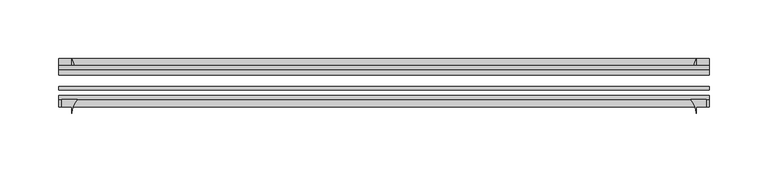
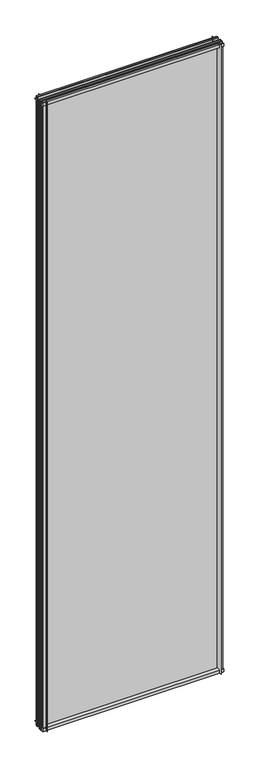
"""IFC4 building model written with IfcOpenShell, lengths in millimetres: plate geometry."""

from ifc_helpers import new_model, si_unit, point, frame, frame_2d, origin, place, context, project, spatial, polyline, circle_curve, trimmed, segment, composite_curve, outline, extrude, source, transform, mapped, element, save


def plate_41e962d8(model_context):
    return source(origin(), model_context, "Body", "SweptSolid", [
        extrude(outline(composite_curve([segment(polyline([(-42.891075, -11.1125), (-42.891075, 3.8539528)]), True, "CONTINUOUS"), segment(trimmed(circle_curve(frame_2d((-26.637892, 29.5913262)), 30.4397495), [point((-42.891075, 3.8539528))], [point((-33.7745413, 0.0))], True, "CARTESIAN"), True, "CONTINUOUS"), segment(polyline([(-33.7745413, 0.0), (-39.690675, 0.0), (-39.690675, -11.1125), (-42.891075, -11.1125)]), True, "CONTINUOUS")], self_intersect=False)), frame((-249.190813, 0.0, 0.0), z_axis=(1.0, 0.0, 0.0), x_axis=(0.0, 1.0, 0.0)), (0.0, 0.0, 1.0), 552.3566259),
        extrude(outline(composite_curve([segment(trimmed(circle_curve(frame_2d((-80.4922797, 17.8701603)), 18.6769817), [point((-74.641075, 0.1333891))], [point((-68.291075, 3.72943))], True, "CARTESIAN"), True, "CONTINUOUS"), segment(polyline([(-68.291075, 3.72943), (-68.291075, -10.3251), (-74.641075, -10.3251), (-74.641075, 0.1333891)]), True, "CONTINUOUS")], self_intersect=False)), frame((-249.190813, 0.0, 0.0), z_axis=(1.0, 0.0, 0.0), x_axis=(0.0, 1.0, 0.0)), (0.0, 0.0, 1.0), 552.3566259),
        extrude(outline(composite_curve([segment(polyline([(-42.891075, 2005.9083472), (-42.891075, 2020.8875), (-39.690675, 2020.8875), (-39.690675, 2009.775), (-33.721675, 2009.775)]), True, "CONTINUOUS"), segment(trimmed(circle_curve(frame_2d((-26.637892, 1980.1709738)), 30.4397495), [point((-33.721675, 2009.775))], [point((-42.891075, 2005.9083472))], True, "CARTESIAN"), True, "CONTINUOUS")], self_intersect=False)), frame((-249.190813, 0.0, 0.0), z_axis=(1.0, 0.0, 0.0), x_axis=(0.0, 1.0, 0.0)), (0.0, 0.0, 1.0), 552.3566259),
        extrude(outline(composite_curve([segment(polyline([(-68.291075, 2018.5126), (-68.291075, 2005.23912)]), True, "CONTINUOUS"), segment(trimmed(circle_curve(frame_2d((-80.4922797, 1991.0983897)), 18.6769817), [point((-68.291075, 2005.23912))], [point((-74.641075, 2008.8351609))], True, "CARTESIAN"), True, "CONTINUOUS"), segment(polyline([(-74.641075, 2008.8351609), (-74.641075, 2018.5126), (-68.291075, 2018.5126)]), True, "CONTINUOUS")], self_intersect=False)), frame((-249.190813, 0.0, 0.0), z_axis=(1.0, 0.0, 0.0), x_axis=(0.0, 1.0, 0.0)), (0.0, 0.0, 1.0), 552.3566259),
        extrude(outline(composite_curve([segment(polyline([(287.5174329, -68.291075), (300.790913, -68.291075), (300.790913, -74.641075), (292.053313, -74.641075), (292.053313, -80.3744844)]), True, "CONTINUOUS"), segment(trimmed(circle_curve(frame_2d((273.3767027, -80.4922797)), 18.6769817), [point((292.053313, -80.3744844))], [point((287.5174329, -68.291075))], True, "CARTESIAN"), True, "CONTINUOUS")], self_intersect=False)), frame((0.0, 0.0, -11.1125), z_axis=(0.0, 0.0, 1.0), x_axis=(1.0, 0.0, 0.0)), (0.0, 0.0, 1.0), 2032.0),
        extrude(outline(composite_curve([segment(trimmed(circle_curve(frame_2d((262.4492867, -26.637892)), 30.4397495), [point((288.1866602, -42.891075))], [point((292.053313, -33.721675))], True, "CARTESIAN"), True, "CONTINUOUS"), segment(polyline([(292.053313, -33.721675), (292.053313, -39.690675), (303.165813, -39.690675), (303.165813, -42.891075), (288.1866602, -42.891075)]), True, "CONTINUOUS")], self_intersect=False)), frame((0.0, 0.0, -11.1125), z_axis=(0.0, 0.0, 1.0), x_axis=(1.0, 0.0, 0.0)), (0.0, 0.0, 1.0), 2032.0),
        extrude(outline(composite_curve([segment(trimmed(circle_curve(frame_2d((-219.4017027, -80.4922797)), 18.6769817), [point((-233.5424329, -68.291075))], [point((-238.078313, -80.3744844))], True, "CARTESIAN"), True, "CONTINUOUS"), segment(polyline([(-238.078313, -80.3744844), (-238.078313, -74.641075), (-246.815913, -74.641075), (-246.815913, -68.291075), (-233.5424329, -68.291075)]), True, "CONTINUOUS")], self_intersect=False)), frame((0.0, 0.0, -11.1125), z_axis=(0.0, 0.0, 1.0), x_axis=(1.0, 0.0, 0.0)), (0.0, 0.0, 1.0), 2032.0),
        extrude(outline(composite_curve([segment(polyline([(-234.2116602, -42.891075), (-249.190813, -42.891075), (-249.190813, -39.690675), (-238.078313, -39.690675), (-238.078313, -33.721675)]), True, "CONTINUOUS"), segment(trimmed(circle_curve(frame_2d((-208.4742867, -26.637892)), 30.4397495), [point((-238.078313, -33.721675))], [point((-234.2116602, -42.891075))], True, "CARTESIAN"), True, "CONTINUOUS")], self_intersect=False)), frame((0.0, 0.0, -11.1125), z_axis=(0.0, 0.0, 1.0), x_axis=(1.0, 0.0, 0.0)), (0.0, 0.0, 1.0), 2032.0),
        extrude(outline(polyline([(-249.190813, -42.891075), (303.165813, -42.891075), (303.165813, -47.653575), (-249.190813, -47.653575), (-249.190813, -42.891075)])), frame((0.0, 0.0, -11.1125), z_axis=(0.0, 0.0, 1.0), x_axis=(1.0, 0.0, 0.0)), (0.0, 0.0, 1.0), 2032.0),
        extrude(outline(polyline([(303.165813, -57.369075), (303.165813, -60.544075), (-249.190813, -60.544075), (-249.190813, -57.369075), (303.165813, -57.369075)])), frame((0.0, 0.0, -11.1125), z_axis=(0.0, 0.0, 1.0), x_axis=(1.0, 0.0, 0.0)), (0.0, 0.0, 1.0), 2032.0),
        extrude(outline(polyline([(-249.190813, -65.116075), (303.165813, -65.116075), (303.165813, -68.291075), (-249.190813, -68.291075), (-249.190813, -65.116075)])), frame((0.0, 0.0, -11.1125), z_axis=(0.0, 0.0, 1.0), x_axis=(1.0, 0.0, 0.0)), (0.0, 0.0, 1.0), 2032.0),
    ])


if __name__ == "__main__":
    model = new_model("IFC4")
    model_context = context("Model", 3, world=origin())
    ifc_project = project(units=[si_unit("LENGTHUNIT", "METRE", prefix="MILLI")], contexts=[model_context])
    site = spatial("IfcSite", under=ifc_project)
    building = spatial("IfcBuilding", under=site)
    placement = place(None, origin())
    plate_shape = plate_41e962d8(model_context)
    element("IfcPlate", 1, at=placement, inside=building, context=model_context, shape_type="MappedRepresentation", body=[
        mapped(plate_shape, transform((0.0, 0.0, 0.0), x_axis=(1.0, 0.0, 0.0), y_axis=(0.0, 1.0, 0.0), z_axis=(0.0, 0.0, 1.0))),
    ])
    save(model, "model.ifc")
